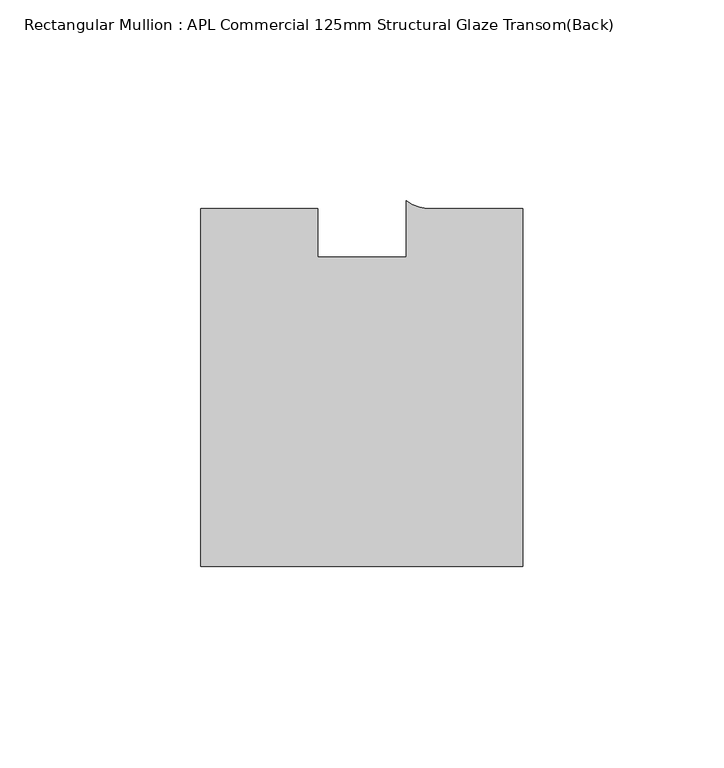
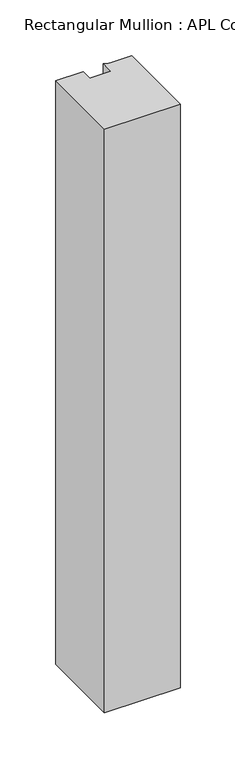
"""IFC4 building model written with IfcOpenShell, lengths in millimetres: member geometry, Rectangular Mullion : APL Commercial 125mm Structural Glaze Transom(Back)."""

from ifc_helpers import new_model, si_unit, point, frame, frame_2d, origin, place, context, project, spatial, polyline, circle_curve, trimmed, segment, composite_curve, outline, extrude, source, transform, mapped, element, save


def rectangular_mullion_apl_commercial_125mm_structural_glaze_4f3a9594(model_context):
    return source(origin(), model_context, "Body", "SweptSolid", [
        extrude(outline(composite_curve([segment(polyline([(40.0, -104.0), (-40.0, -104.0), (-40.0, -15.0000829), (-11.0000151, -15.0000829), (-11.0000151, -27.0), (11.0000151, -27.0), (11.0000151, -13.0673455)]), True, "CONTINUOUS"), segment(trimmed(circle_curve(frame_2d((17.1097719, -4.581653)), 10.4563907), [point((11.0000151, -13.0673455))], [point((17.9999542, -15.0000829))], True, "CARTESIAN"), True, "CONTINUOUS"), segment(polyline([(17.9999542, -15.0000829), (40.0, -15.0000829), (40.0, -104.0)]), True, "CONTINUOUS")], self_intersect=False)), frame((0.0, 0.0, -651.6364174), z_axis=(0.0, 0.0, 1.0), x_axis=(1.0, 0.0, 0.0)), (0.0, 0.0, 1.0), 651.6364174),
    ])


if __name__ == "__main__":
    model = new_model("IFC4")
    model_context = context("Model", 3, world=origin())
    ifc_project = project(units=[si_unit("LENGTHUNIT", "METRE", prefix="MILLI")], contexts=[model_context])
    site = spatial("IfcSite", under=ifc_project)
    building = spatial("IfcBuilding", under=site)
    placement = place(None, origin())
    rectangular_mullion_apl_commercial_125mm_structural_glaze_shape = rectangular_mullion_apl_commercial_125mm_structural_glaze_4f3a9594(model_context)
    element("IfcMember", 1, ObjectType="Rectangular Mullion : APL Commercial 125mm Structural Glaze Transom(Back)", at=placement, inside=building, context=model_context, shape_type="MappedRepresentation", body=[
        mapped(rectangular_mullion_apl_commercial_125mm_structural_glaze_shape, transform((0.0, 0.0, 0.0), x_axis=(1.0, 0.0, 0.0), y_axis=(0.0, 1.0, 0.0), z_axis=(0.0, 0.0, 1.0))),
    ])
    save(model, "model.ifc")
